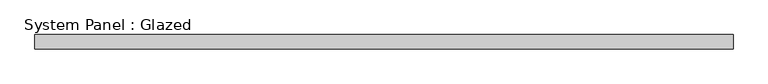
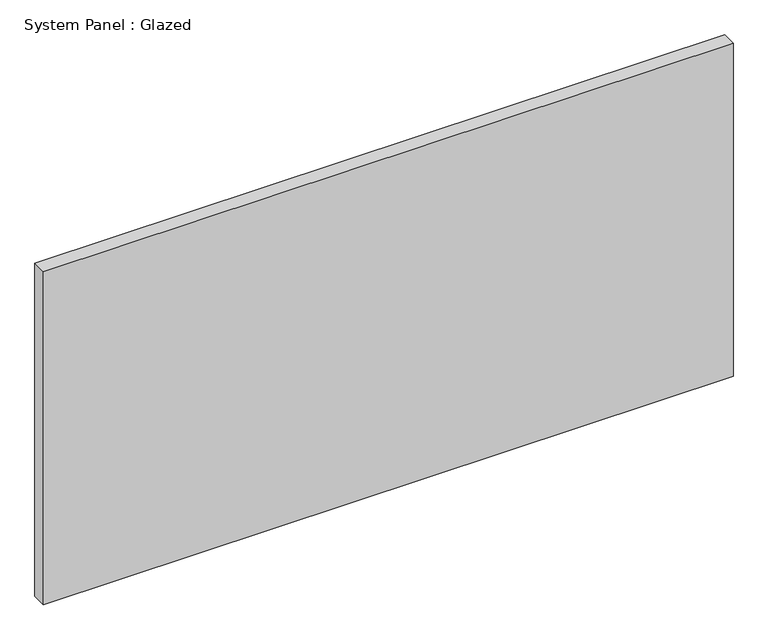
"""IFC4 building model written with IfcOpenShell, lengths in millimetres: plate geometry, System Panel : Glazed."""

from ifc_helpers import new_model, si_unit, origin, origin_with_axes, place, context, project, spatial, polyline, outline, extrude, source, transform, mapped, element, save


def system_panel_glazed_3d18bc60(model_context):
    return source(origin(), model_context, "Body", "SweptSolid", [
        extrude(outline(polyline([(609.6, 19.05), (-609.6, 19.05), (-609.6, 44.45), (609.6, 44.45), (609.6, 19.05)])), origin_with_axes(), (0.0, 0.0, 1.0), 622.3),
    ])


if __name__ == "__main__":
    model = new_model("IFC4")
    model_context = context("Model", 3, world=origin())
    ifc_project = project(units=[si_unit("LENGTHUNIT", "METRE", prefix="MILLI")], contexts=[model_context])
    site = spatial("IfcSite", under=ifc_project)
    building = spatial("IfcBuilding", under=site)
    placement = place(None, origin())
    system_panel_glazed_shape = system_panel_glazed_3d18bc60(model_context)
    element("IfcPlate", 1, ObjectType="System Panel : Glazed", at=placement, inside=building, context=model_context, shape_type="MappedRepresentation", body=[
        mapped(system_panel_glazed_shape, transform((0.0, 0.0, 0.0), x_axis=(1.0, 0.0, 0.0), y_axis=(0.0, 1.0, 0.0), z_axis=(0.0, 0.0, 1.0))),
    ])
    save(model, "model.ifc")
